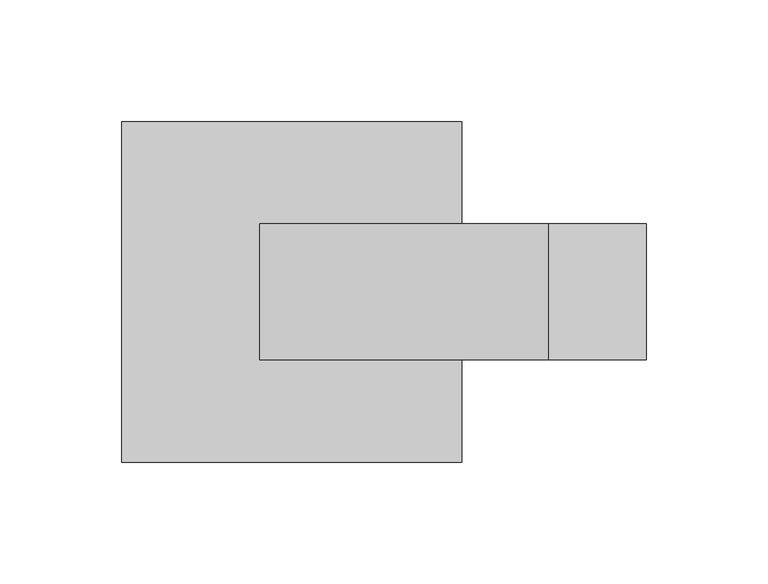
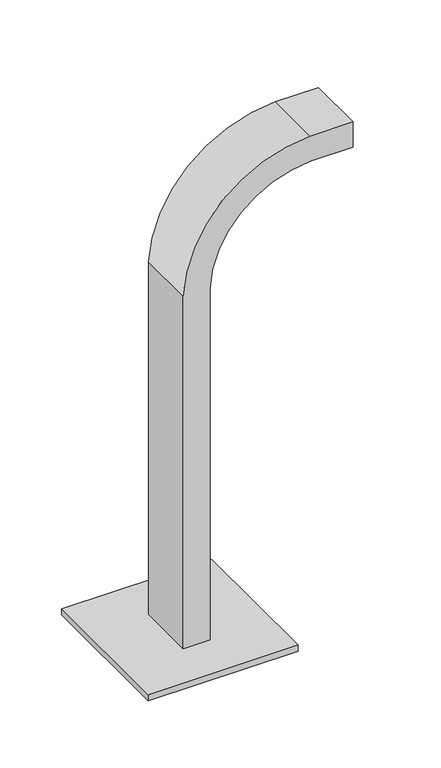
"""IFC4 building model written with IfcOpenShell, lengths in millimetres: furniture geometry."""

from ifc_helpers import new_model, si_unit, point, frame, frame_2d, origin, origin_with_axes, place, context, project, spatial, polyline, circle_curve, trimmed, segment, composite_curve, outline, extrude, source, transform, mapped, element, save


def furniture_eed4a7af(model_context):
    return source(origin(), model_context, "Body", "SweptSolid", [
        extrude(outline(composite_curve([segment(trimmed(circle_curve(frame_2d((353.0696692, -460.1651072)), 98.0547414), [point((358.7575366, -558.0547414))], [point((451.0547414, -463.8607731))], True, "CARTESIAN"), True, "CONTINUOUS"), segment(polyline([(451.0547414, -463.8607731), (451.0547414, -424.0794885), (476.0547414, -424.0794885), (476.0547414, -464.3053257)]), True, "CONTINUOUS"), segment(trimmed(circle_curve(frame_2d((353.0696692, -460.1651072)), 123.0547414), [point((476.0547414, -464.3053257))], [point((359.4420469, -583.0547414))], False, "CARTESIAN"), True, "CONTINUOUS"), segment(polyline([(359.4420469, -583.0547414), (11.0, -583.0547414), (11.0, -558.0547414), (358.7575366, -558.0547414)]), True, "CONTINUOUS")], self_intersect=False)), frame((0.0, -27.920928, 0.0), z_axis=(0.0, 1.0, 0.0), x_axis=(0.0, 0.0, 1.0)), (0.0, 0.0, 1.0), 55.8418559),
        extrude(outline(composite_curve([segment(trimmed(circle_curve(frame_2d((-628.0500045, 58.0314537)), 5.0), [point((-633.0500045, 58.0314537))], [point((-623.0500045, 58.0314537))], False, "CARTESIAN"), True, "CONTINUOUS"), segment(trimmed(circle_curve(frame_2d((-628.0500045, 58.0314537)), 5.0), [point((-623.0500045, 58.0314537))], [point((-633.0500045, 58.0314537))], False, "CARTESIAN"), True, "CONTINUOUS")], self_intersect=False)), origin_with_axes(), (0.0, 0.0, 1.0), 5.0),
        extrude(outline(composite_curve([segment(trimmed(circle_curve(frame_2d((-511.9499955, 58.0314537)), 5.0), [point((-516.9499955, 58.0314537))], [point((-506.9499955, 58.0314537))], False, "CARTESIAN"), True, "CONTINUOUS"), segment(trimmed(circle_curve(frame_2d((-511.9499955, 58.0314537)), 5.0), [point((-506.9499955, 58.0314537))], [point((-516.9499955, 58.0314537))], False, "CARTESIAN"), True, "CONTINUOUS")], self_intersect=False)), origin_with_axes(), (0.0, 0.0, 1.0), 5.0),
        extrude(outline(composite_curve([segment(trimmed(circle_curve(frame_2d((-628.0500045, -58.0314537)), 5.0), [point((-633.0500045, -58.0314537))], [point((-623.0500045, -58.0314537))], False, "CARTESIAN"), True, "CONTINUOUS"), segment(trimmed(circle_curve(frame_2d((-628.0500045, -58.0314537)), 5.0), [point((-623.0500045, -58.0314537))], [point((-633.0500045, -58.0314537))], False, "CARTESIAN"), True, "CONTINUOUS")], self_intersect=False)), origin_with_axes(), (0.0, 0.0, 1.0), 5.0),
        extrude(outline(composite_curve([segment(trimmed(circle_curve(frame_2d((-511.9499955, -58.0314537)), 5.0), [point((-516.9499955, -58.0314537))], [point((-506.9499955, -58.0314537))], False, "CARTESIAN"), True, "CONTINUOUS"), segment(trimmed(circle_curve(frame_2d((-511.9499955, -58.0314537)), 5.0), [point((-506.9499955, -58.0314537))], [point((-516.9499955, -58.0314537))], False, "CARTESIAN"), True, "CONTINUOUS")], self_intersect=False)), origin_with_axes(), (0.0, 0.0, 1.0), 5.0),
        extrude(outline(polyline([(-500.0, 70.0), (-500.0, -70.0), (-640.0, -70.0), (-640.0, 70.0), (-500.0, 70.0)])), frame((0.0, 0.0, 5.0), z_axis=(0.0, 0.0, 1.0), x_axis=(1.0, 0.0, 0.0)), (0.0, 0.0, 1.0), 6.0),
    ])


if __name__ == "__main__":
    model = new_model("IFC4")
    model_context = context("Model", 3, world=origin())
    ifc_project = project(units=[si_unit("LENGTHUNIT", "METRE", prefix="MILLI")], contexts=[model_context])
    site = spatial("IfcSite", under=ifc_project)
    building = spatial("IfcBuilding", under=site)
    placement = place(None, origin())
    furniture_shape = furniture_eed4a7af(model_context)
    element("IfcFurniture", 1, at=placement, inside=building, context=model_context, shape_type="MappedRepresentation", body=[
        mapped(furniture_shape, transform((0.0, 0.0, 0.0), x_axis=(1.0, 0.0, 0.0), y_axis=(0.0, 1.0, 0.0), z_axis=(0.0, 0.0, 1.0))),
    ])
    save(model, "model.ifc")
